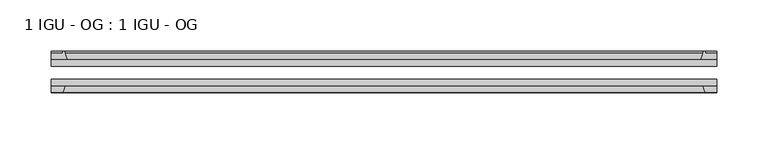
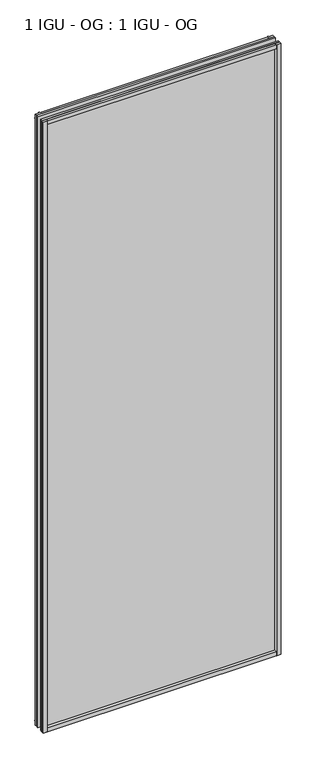
"""IFC4 building model written with IfcOpenShell, lengths in millimetres: plate geometry, 1 IGU - OG : 1 IGU - OG."""

from ifc_helpers import new_model, si_unit, point, frame, frame_2d, origin, place, context, project, spatial, polyline, circle_curve, trimmed, segment, composite_curve, outline, extrude, source, transform, mapped, element, save


def plate_1_igu_og_1_igu_og_48dd59bc(model_context):
    return source(origin(), model_context, "Body", "SweptSolid", [
        extrude(outline(polyline([(342.475205, -31.75), (342.475205, -38.1), (-304.375205, -38.1), (-304.375205, -31.75), (342.475205, -31.75)])), frame((0.0, 0.0, -11.1125), z_axis=(0.0, 0.0, 1.0), x_axis=(1.0, 0.0, 0.0)), (0.0, 0.0, 1.0), 1755.775),
        extrude(outline(polyline([(-304.375205, -12.7), (342.475205, -12.7), (342.475205, -19.05), (-304.375205, -19.05), (-304.375205, -12.7)])), frame((0.0, 0.0, -11.1125), z_axis=(0.0, 0.0, 1.0), x_axis=(1.0, 0.0, 0.0)), (0.0, 0.0, 1.0), 1755.775),
        extrude(outline(composite_curve([segment(polyline([(-289.0394141, -12.7), (-304.375205, -12.7), (-304.375205, -6.35), (-293.262705, -6.35), (-293.262705, -4.7751661), (-292.333291, -4.7751661)]), True, "CONTINUOUS"), segment(trimmed(circle_curve(frame_2d((-292.333291, -5.5371661)), 0.762), [point((-292.333291, -4.7751661))], [point((-291.5910811, -5.364631))], False, "CARTESIAN"), True, "CONTINUOUS"), segment(trimmed(circle_curve(frame_2d((-255.9618628, 2.9177851)), 36.5792237), [point((-291.5910811, -5.364631))], [point((-289.0394141, -12.7))], True, "CARTESIAN"), True, "CONTINUOUS")], self_intersect=False)), frame((0.0, 0.0, -11.1125), z_axis=(0.0, 0.0, 1.0), x_axis=(1.0, 0.0, 0.0)), (0.0, 0.0, 1.0), 1755.775),
        extrude(outline(polyline([(-304.375205, -38.1), (-291.1574279, -38.1), (-293.262705, -44.45), (-304.375205, -44.45), (-304.375205, -38.1)])), frame((0.0, 0.0, -11.1125), z_axis=(0.0, 0.0, 1.0), x_axis=(1.0, 0.0, 0.0)), (0.0, 0.0, 1.0), 1755.775),
        extrude(outline(composite_curve([segment(trimmed(circle_curve(frame_2d((330.433291, -5.5371661)), 0.762), [point((329.6910811, -5.364631))], [point((330.433291, -4.7751661))], False, "CARTESIAN"), True, "CONTINUOUS"), segment(polyline([(330.433291, -4.7751661), (331.362705, -4.7751661), (331.362705, -6.35), (342.475205, -6.35), (342.475205, -12.7), (327.1394141, -12.7)]), True, "CONTINUOUS"), segment(trimmed(circle_curve(frame_2d((294.0618628, 2.9177851)), 36.5792237), [point((327.1394141, -12.7))], [point((329.6910811, -5.364631))], True, "CARTESIAN"), True, "CONTINUOUS")], self_intersect=False)), frame((0.0, 0.0, -11.1125), z_axis=(0.0, 0.0, 1.0), x_axis=(1.0, 0.0, 0.0)), (0.0, 0.0, 1.0), 1755.775),
        extrude(outline(polyline([(329.2574279, -38.1), (342.475205, -38.1), (342.475205, -44.45), (331.362705, -44.45), (329.2574279, -38.1)])), frame((0.0, 0.0, -11.1125), z_axis=(0.0, 0.0, 1.0), x_axis=(1.0, 0.0, 0.0)), (0.0, 0.0, 1.0), 1755.775),
        extrude(outline(composite_curve([segment(polyline([(-12.7, -11.1125), (-12.7, 4.2232909)]), True, "CONTINUOUS"), segment(trimmed(circle_curve(frame_2d((2.9177851, 37.3008421)), 36.5792237), [point((-12.7, 4.2232909))], [point((-5.364631, 1.6716239))], True, "CARTESIAN"), True, "CONTINUOUS"), segment(trimmed(circle_curve(frame_2d((-5.5371661, 0.929414)), 0.762), [point((-5.364631, 1.6716239))], [point((-4.7751661, 0.929414))], False, "CARTESIAN"), True, "CONTINUOUS"), segment(polyline([(-4.7751661, 0.929414), (-4.7751661, 0.0), (-6.35, 0.0), (-6.35, -11.1125), (-12.7, -11.1125)]), True, "CONTINUOUS")], self_intersect=False)), frame((-304.375205, 0.0, 0.0), z_axis=(1.0, 0.0, 0.0), x_axis=(0.0, 1.0, 0.0)), (0.0, 0.0, 1.0), 646.85041),
        extrude(outline(polyline([(-38.1, 2.1052771), (-38.1, -11.1125), (-44.45, -11.1125), (-44.45, 0.0), (-38.1, 2.1052771)])), frame((-304.375205, 0.0, 0.0), z_axis=(1.0, 0.0, 0.0), x_axis=(0.0, 1.0, 0.0)), (0.0, 0.0, 1.0), 646.85041),
        extrude(outline(composite_curve([segment(trimmed(circle_curve(frame_2d((2.9177851, 1696.2491579)), 36.5792237), [point((-5.364631, 1731.8783761))], [point((-12.7, 1729.3267091))], True, "CARTESIAN"), True, "CONTINUOUS"), segment(polyline([(-12.7, 1729.3267091), (-12.7, 1744.6625), (-6.35, 1744.6625), (-6.35, 1733.55), (-4.7751661, 1733.55), (-4.7751661, 1732.620586)]), True, "CONTINUOUS"), segment(trimmed(circle_curve(frame_2d((-5.5371661, 1732.620586)), 0.762), [point((-4.7751661, 1732.620586))], [point((-5.364631, 1731.8783761))], False, "CARTESIAN"), True, "CONTINUOUS")], self_intersect=False)), frame((-304.375205, 0.0, 0.0), z_axis=(1.0, 0.0, 0.0), x_axis=(0.0, 1.0, 0.0)), (0.0, 0.0, 1.0), 646.85041),
        extrude(outline(polyline([(-38.1, 1744.6625), (-38.1, 1731.4447229), (-44.45, 1733.55), (-44.45, 1744.6625), (-38.1, 1744.6625)])), frame((-304.375205, 0.0, 0.0), z_axis=(1.0, 0.0, 0.0), x_axis=(0.0, 1.0, 0.0)), (0.0, 0.0, 1.0), 646.85041),
    ])


if __name__ == "__main__":
    model = new_model("IFC4")
    model_context = context("Model", 3, world=origin())
    ifc_project = project(units=[si_unit("LENGTHUNIT", "METRE", prefix="MILLI")], contexts=[model_context])
    site = spatial("IfcSite", under=ifc_project)
    building = spatial("IfcBuilding", under=site)
    placement = place(None, origin())
    plate_1_igu_og_1_igu_og_shape = plate_1_igu_og_1_igu_og_48dd59bc(model_context)
    element("IfcPlate", 1, ObjectType="1 IGU - OG : 1 IGU - OG", at=placement, inside=building, context=model_context, shape_type="MappedRepresentation", body=[
        mapped(plate_1_igu_og_1_igu_og_shape, transform((0.0, 0.0, 0.0), x_axis=(1.0, 0.0, 0.0), y_axis=(0.0, 1.0, 0.0), z_axis=(0.0, 0.0, 1.0))),
    ])
    save(model, "model.ifc")
